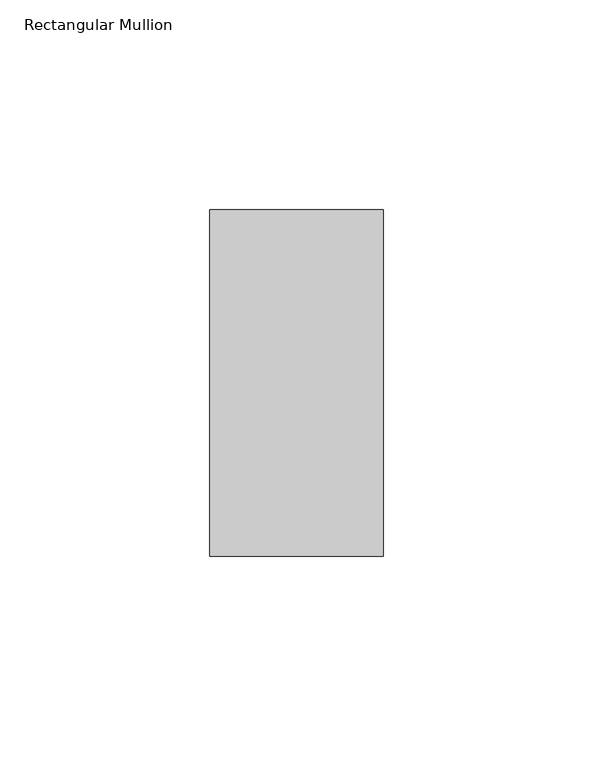
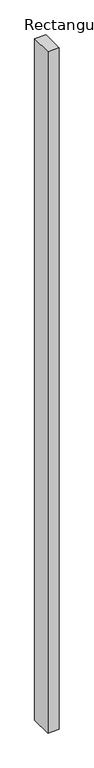
"""IFC4 building model written with IfcOpenShell, lengths in millimetres: member geometry, Rectangular Mullion."""

from ifc_helpers import new_model, si_unit, frame, origin, place, context, project, spatial, polyline, outline, extrude, source, transform, mapped, element, save


def rectangular_mullion_0e8944a2(model_context):
    return source(origin(), model_context, "Body", "SweptSolid", [
        extrude(outline(polyline([(0.0, -73.025), (-41.275, -73.025), (-41.275, 9.525), (0.0, 9.525), (0.0, -73.025)])), frame((0.0, 0.0, -2613.025), z_axis=(0.0, 0.0, 1.0), x_axis=(1.0, 0.0, 0.0)), (0.0, 0.0, 1.0), 2613.025),
    ])


if __name__ == "__main__":
    model = new_model("IFC4")
    model_context = context("Model", 3, world=origin())
    ifc_project = project(units=[si_unit("LENGTHUNIT", "METRE", prefix="MILLI")], contexts=[model_context])
    site = spatial("IfcSite", under=ifc_project)
    building = spatial("IfcBuilding", under=site)
    placement = place(None, origin())
    rectangular_mullion_shape = rectangular_mullion_0e8944a2(model_context)
    element("IfcMember", 1, ObjectType="Rectangular Mullion", at=placement, inside=building, context=model_context, shape_type="MappedRepresentation", body=[
        mapped(rectangular_mullion_shape, transform((0.0, 0.0, 0.0), x_axis=(1.0, 0.0, 0.0), y_axis=(0.0, 1.0, 0.0), z_axis=(0.0, 0.0, 1.0))),
    ])
    save(model, "model.ifc")
